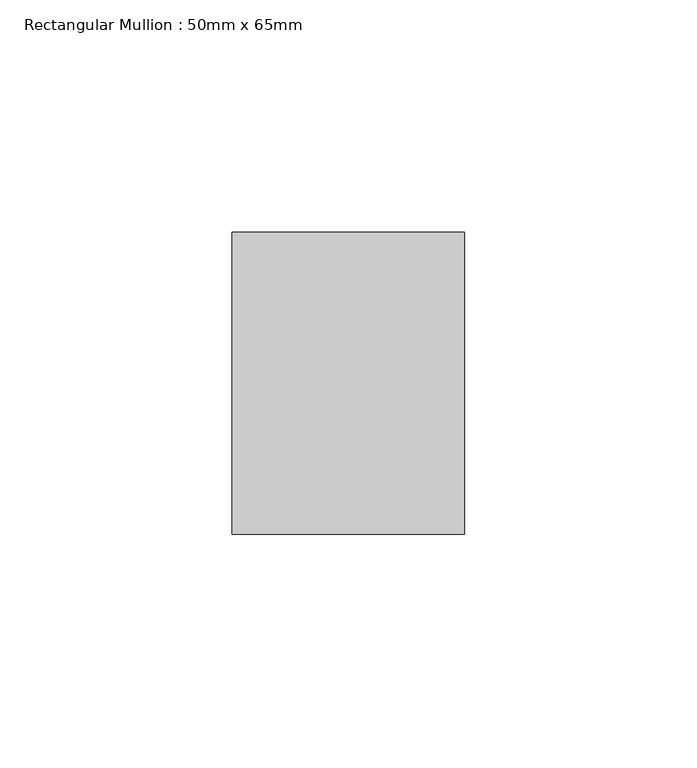
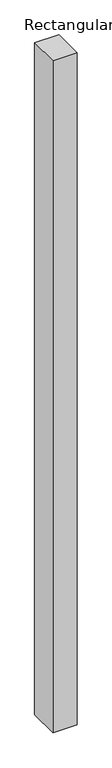
"""IFC4 building model written with IfcOpenShell, lengths in millimetres: member geometry, Rectangular Mullion : 50mm x 65mm."""

from ifc_helpers import new_model, si_unit, frame, origin, place, context, project, spatial, polyline, outline, extrude, source, transform, mapped, element, save


def rectangular_mullion_50mm_x_65mm_041c8a56(model_context):
    return source(origin(), model_context, "Body", "SweptSolid", [
        extrude(outline(polyline([(25.0, 32.5), (25.0, -32.5), (-25.0, -32.5), (-25.0, 32.5), (25.0, 32.5)])), frame((0.0, 0.0, -1473.7163607), z_axis=(0.0, 0.0, 1.0), x_axis=(1.0, 0.0, 0.0)), (0.0, 0.0, 1.0), 1473.7163607),
    ])


if __name__ == "__main__":
    model = new_model("IFC4")
    model_context = context("Model", 3, world=origin())
    ifc_project = project(units=[si_unit("LENGTHUNIT", "METRE", prefix="MILLI")], contexts=[model_context])
    site = spatial("IfcSite", under=ifc_project)
    building = spatial("IfcBuilding", under=site)
    placement = place(None, origin())
    rectangular_mullion_50mm_x_65mm_shape = rectangular_mullion_50mm_x_65mm_041c8a56(model_context)
    element("IfcMember", 1, ObjectType="Rectangular Mullion : 50mm x 65mm", at=placement, inside=building, context=model_context, shape_type="MappedRepresentation", body=[
        mapped(rectangular_mullion_50mm_x_65mm_shape, transform((0.0, 0.0, 0.0), x_axis=(1.0, 0.0, 0.0), y_axis=(0.0, 1.0, 0.0), z_axis=(0.0, 0.0, 1.0))),
    ])
    save(model, "model.ifc")
